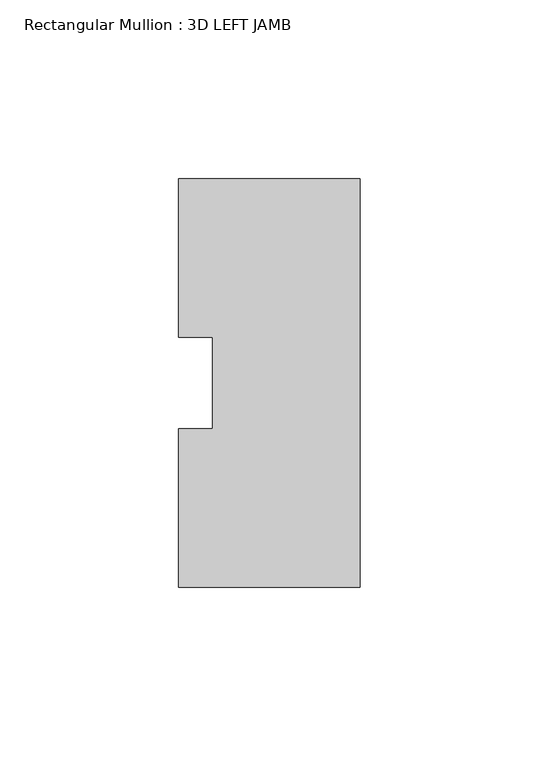
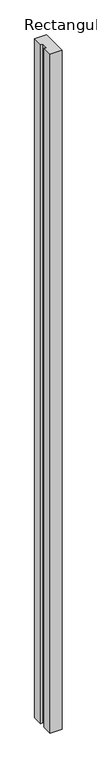
"""IFC4 building model written with IfcOpenShell, lengths in millimetres: member geometry, Rectangular Mullion : 3D LEFT JAMB."""

from ifc_helpers import new_model, si_unit, frame, origin, place, context, project, spatial, polyline, outline, extrude, source, transform, mapped, element, save


def rectangular_mullion_3d_left_jamb_5ce1f6e9(model_context):
    return source(origin(), model_context, "Body", "SweptSolid", [
        extrude(outline(polyline([(0.0, -57.1484125), (-50.8, -57.1484125), (-50.8, -12.7311082), (-41.275, -12.7311082), (-41.275, 12.7565901), (-50.8, 12.7565901), (-50.8, 57.1515875), (0.0, 57.1646685), (0.0, -57.1484125)])), frame((0.0, 0.0, -3048.0), z_axis=(0.0, 0.0, 1.0), x_axis=(1.0, 0.0, 0.0)), (0.0, 0.0, 1.0), 3048.0),
    ])


if __name__ == "__main__":
    model = new_model("IFC4")
    model_context = context("Model", 3, world=origin())
    ifc_project = project(units=[si_unit("LENGTHUNIT", "METRE", prefix="MILLI")], contexts=[model_context])
    site = spatial("IfcSite", under=ifc_project)
    building = spatial("IfcBuilding", under=site)
    placement = place(None, origin())
    rectangular_mullion_3d_left_jamb_shape = rectangular_mullion_3d_left_jamb_5ce1f6e9(model_context)
    element("IfcMember", 1, ObjectType="Rectangular Mullion : 3D LEFT JAMB", at=placement, inside=building, context=model_context, shape_type="MappedRepresentation", body=[
        mapped(rectangular_mullion_3d_left_jamb_shape, transform((0.0, 0.0, 0.0), x_axis=(1.0, 0.0, 0.0), y_axis=(0.0, 1.0, 0.0), z_axis=(0.0, 0.0, 1.0))),
    ])
    save(model, "model.ifc")
